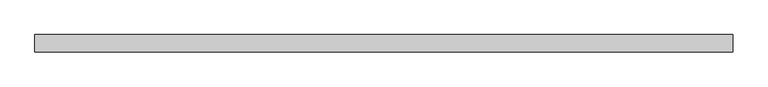
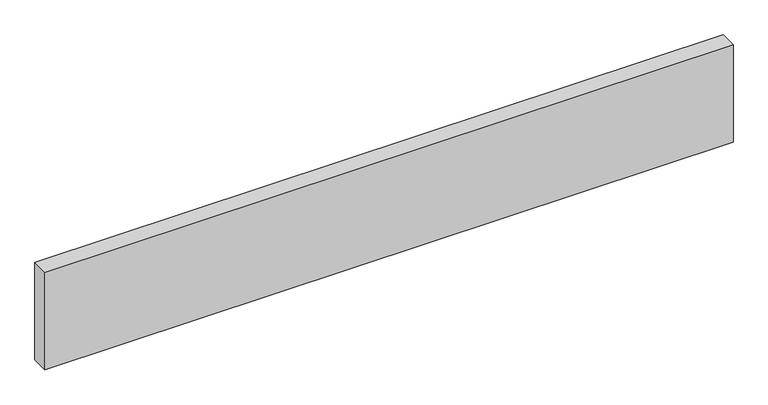
"""IFC4 building model written with IfcOpenShell, lengths in millimetres: proxy geometry."""

from ifc_helpers import new_model, si_unit, origin, origin_with_axes, place, context, project, spatial, polyline, outline, extrude, source, transform, mapped, element, save


def specialty_equipment_1669eeb9(model_context):
    return source(origin(), model_context, "Body", "SweptSolid", [
        extrude(outline(polyline([(1000.0, 25.0), (1000.0, -25.0), (-1000.0, -25.0), (-1000.0, 25.0), (1000.0, 25.0)])), origin_with_axes(), (0.0, 0.0, 1.0), 300.0),
    ])


if __name__ == "__main__":
    model = new_model("IFC4")
    model_context = context("Model", 3, world=origin())
    ifc_project = project(units=[si_unit("LENGTHUNIT", "METRE", prefix="MILLI")], contexts=[model_context])
    site = spatial("IfcSite", under=ifc_project)
    building = spatial("IfcBuilding", under=site)
    placement = place(None, origin())
    specialty_equipment_shape = specialty_equipment_1669eeb9(model_context)
    element("IfcBuildingElementProxy", 1, Name="Specialty Equipment", at=placement, inside=building, context=model_context, shape_type="MappedRepresentation", body=[
        mapped(specialty_equipment_shape, transform((0.0, 0.0, 0.0), x_axis=(1.0, 0.0, 0.0), y_axis=(0.0, 1.0, 0.0), z_axis=(0.0, 0.0, 1.0))),
    ])
    save(model, "model.ifc")
